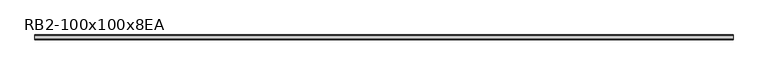
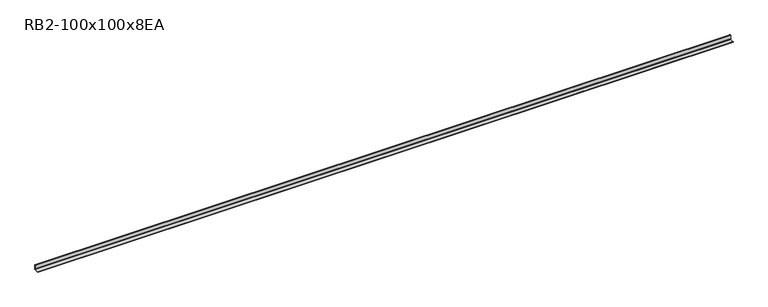
"""IFC4 building model written with IfcOpenShell, lengths in millimetres: member geometry, RB2-100x100x8EA."""

from ifc_helpers import new_model, si_unit, point, frame, frame_2d, origin, place, context, project, spatial, polyline, circle_curve, trimmed, segment, composite_curve, outline, extrude, source, transform, mapped, element, save


def rb2_100x100x8ea_a641ee97(model_context):
    return source(origin(), model_context, "Body", "SweptSolid", [
        extrude(outline(composite_curve([segment(polyline([(27.5, -27.5), (-72.5, -27.5), (-72.5, -24.5)]), True, "CONTINUOUS"), segment(trimmed(circle_curve(frame_2d((-67.5, -24.5)), 5.0), [point((-72.5, -24.5))], [point((-67.5, -19.5))], False, "CARTESIAN"), True, "CONTINUOUS"), segment(polyline([(-67.5, -19.5), (11.5, -19.5)]), True, "CONTINUOUS"), segment(trimmed(circle_curve(frame_2d((11.5, -11.5)), 8.0), [point((11.5, -19.5))], [point((19.5, -11.5))], True, "CARTESIAN"), True, "CONTINUOUS"), segment(polyline([(19.5, -11.5), (19.5, 67.5)]), True, "CONTINUOUS"), segment(trimmed(circle_curve(frame_2d((24.5, 67.5)), 5.0), [point((19.5, 67.5))], [point((24.5, 72.5))], False, "CARTESIAN"), True, "CONTINUOUS"), segment(polyline([(24.5, 72.5), (27.5, 72.5), (27.5, -27.5)]), True, "CONTINUOUS")], self_intersect=False)), frame((-7212.0, 0.0, 0.0), z_axis=(1.0, 0.0, 0.0), x_axis=(0.0, 1.0, 0.0)), (0.0, 0.0, 1.0), 14459.2523912),
    ])


if __name__ == "__main__":
    model = new_model("IFC4")
    model_context = context("Model", 3, world=origin())
    ifc_project = project(units=[si_unit("LENGTHUNIT", "METRE", prefix="MILLI")], contexts=[model_context])
    site = spatial("IfcSite", under=ifc_project)
    building = spatial("IfcBuilding", under=site)
    placement = place(None, origin())
    rb2_100x100x8ea_shape = rb2_100x100x8ea_a641ee97(model_context)
    element("IfcMember", 1, ObjectType="RB2-100x100x8EA", at=placement, inside=building, context=model_context, shape_type="MappedRepresentation", body=[
        mapped(rb2_100x100x8ea_shape, transform((0.0, 0.0, 0.0), x_axis=(1.0, 0.0, 0.0), y_axis=(0.0, 1.0, 0.0), z_axis=(0.0, 0.0, 1.0))),
    ])
    save(model, "model.ifc")
